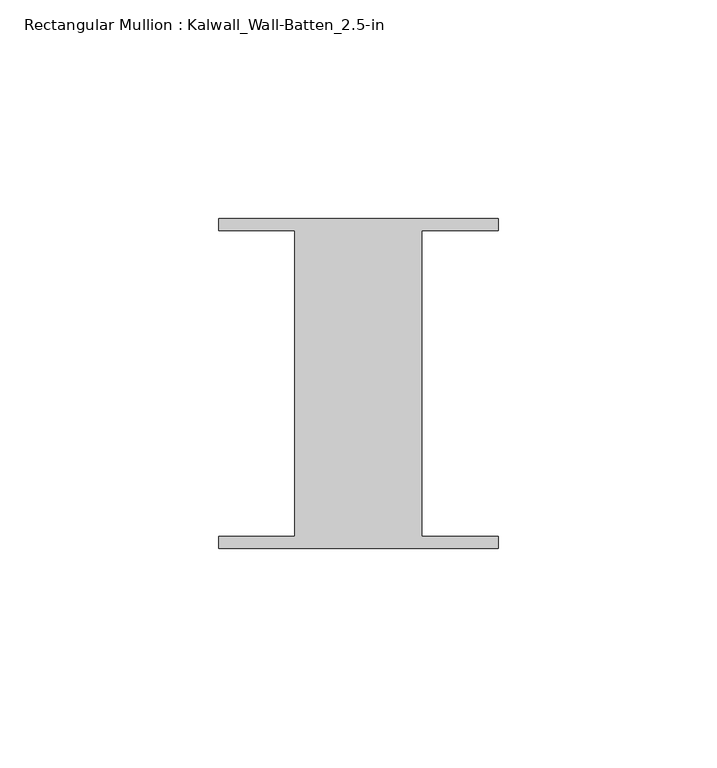
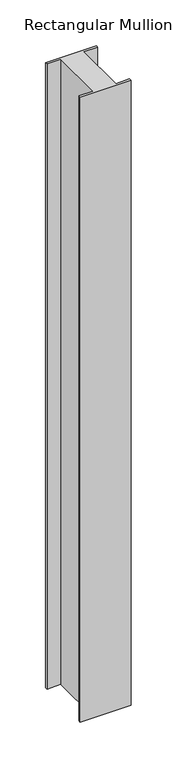
"""IFC4 building model written with IfcOpenShell, lengths in millimetres: member geometry, Rectangular Mullion : Kalwall_Wall-Batten_2.5-in."""

from ifc_helpers import new_model, si_unit, frame, origin, place, context, project, spatial, polyline, outline, extrude, source, transform, mapped, element, save


def rectangular_mullion_kalwall_wall_batten_2_5_in_3bf4ae68(model_context):
    return source(origin(), model_context, "Body", "SweptSolid", [
        extrude(outline(polyline([(-32.0, 36.524), (32.0, 36.524), (32.0, 33.73), (14.5, 33.73), (14.5, -36.27), (32.0, -36.27), (32.0, -39.064), (-32.0, -39.064), (-32.0, -36.27), (-14.5, -36.27), (-14.5, 33.73), (-32.0, 33.73), (-32.0, 36.524)])), frame((0.0, 0.0, -832.975), z_axis=(0.0, 0.0, 1.0), x_axis=(1.0, 0.0, 0.0)), (0.0, 0.0, 1.0), 832.975),
    ])


if __name__ == "__main__":
    model = new_model("IFC4")
    model_context = context("Model", 3, world=origin())
    ifc_project = project(units=[si_unit("LENGTHUNIT", "METRE", prefix="MILLI")], contexts=[model_context])
    site = spatial("IfcSite", under=ifc_project)
    building = spatial("IfcBuilding", under=site)
    placement = place(None, origin())
    rectangular_mullion_kalwall_wall_batten_2_5_in_shape = rectangular_mullion_kalwall_wall_batten_2_5_in_3bf4ae68(model_context)
    element("IfcMember", 1, ObjectType="Rectangular Mullion : Kalwall_Wall-Batten_2.5-in", at=placement, inside=building, context=model_context, shape_type="MappedRepresentation", body=[
        mapped(rectangular_mullion_kalwall_wall_batten_2_5_in_shape, transform((0.0, 0.0, 0.0), x_axis=(1.0, 0.0, 0.0), y_axis=(0.0, 1.0, 0.0), z_axis=(0.0, 0.0, 1.0))),
    ])
    save(model, "model.ifc")
